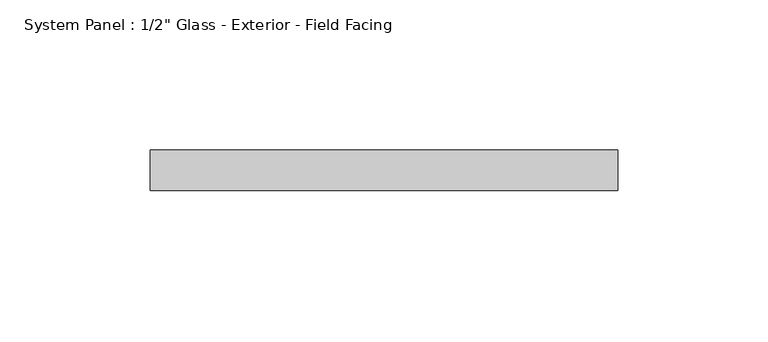
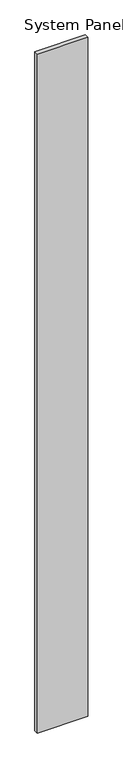
"""IFC4 building model written with IfcOpenShell, lengths in millimetres: plate geometry."""

from ifc_helpers import new_model, si_unit, origin, origin_with_axes, place, context, project, spatial, polyline, outline, extrude, source, transform, mapped, element, save


def plate_98b0744f(model_context):
    return source(origin(), model_context, "Body", "SweptSolid", [
        extrude(outline(polyline([(77.8174208, -11.55), (-77.8174208, -11.55), (-77.8174208, 1.95), (77.8174208, 1.95), (77.8174208, -11.55)])), origin_with_axes(), (0.0, 0.0, 1.0), 2223.15),
    ])


if __name__ == "__main__":
    model = new_model("IFC4")
    model_context = context("Model", 3, world=origin())
    ifc_project = project(units=[si_unit("LENGTHUNIT", "METRE", prefix="MILLI")], contexts=[model_context])
    site = spatial("IfcSite", under=ifc_project)
    building = spatial("IfcBuilding", under=site)
    placement = place(None, origin())
    plate_shape = plate_98b0744f(model_context)
    element("IfcPlate", 1, ObjectType="System Panel : 1/2\" Glass - Exterior - Field Facing", at=placement, inside=building, context=model_context, shape_type="MappedRepresentation", body=[
        mapped(plate_shape, transform((0.0, 0.0, 0.0), x_axis=(1.0, 0.0, 0.0), y_axis=(0.0, 1.0, 0.0), z_axis=(0.0, 0.0, 1.0))),
    ])
    save(model, "model.ifc")
